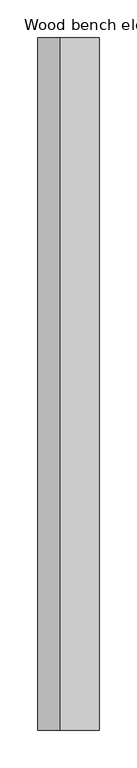
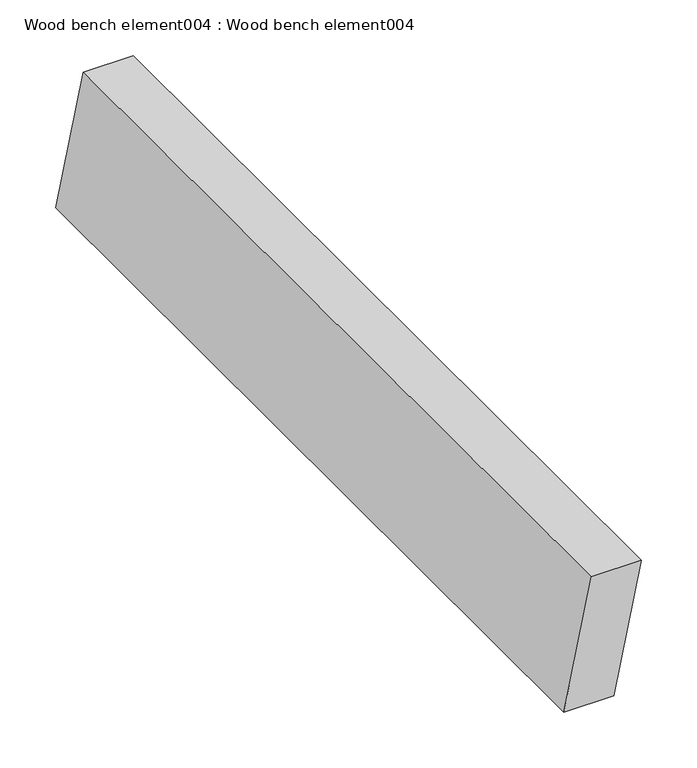
"""IFC4 building model written with IfcOpenShell, lengths in millimetres: proxy geometry, Wood bench element004 : Wood bench element004."""

from ifc_helpers import new_model, si_unit, frame, origin, place, context, project, spatial, polyline, outline, extrude, source, transform, mapped, element, save


def wood_bench_element004_wood_bench_element004_719e65ca(model_context):
    return source(origin(), model_context, "Body", "SweptSolid", [
        extrude(outline(polyline([(762.1420166, 38210.9403499), (762.1420166, 38159.0496287), (623.3062768, 38130.1255163), (623.3062768, 38182.0162374), (762.1420166, 38210.9403499)])), frame((0.0, -19576.8264268, 0.0), z_axis=(0.0, 1.0, 0.0), x_axis=(0.0, 0.0, 1.0)), (0.0, 0.0, 1.0), 914.4),
    ])


if __name__ == "__main__":
    model = new_model("IFC4")
    model_context = context("Model", 3, world=origin())
    ifc_project = project(units=[si_unit("LENGTHUNIT", "METRE", prefix="MILLI")], contexts=[model_context])
    site = spatial("IfcSite", under=ifc_project)
    building = spatial("IfcBuilding", under=site)
    placement = place(None, origin())
    wood_bench_element004_wood_bench_element004_shape = wood_bench_element004_wood_bench_element004_719e65ca(model_context)
    element("IfcBuildingElementProxy", 1, Name="Wood bench element004 : Wood bench element004", ObjectType="Wood bench element004 : Wood bench element004", at=placement, inside=building, context=model_context, shape_type="MappedRepresentation", body=[
        mapped(wood_bench_element004_wood_bench_element004_shape, transform((0.0, 0.0, 0.0), x_axis=(1.0, 0.0, 0.0), y_axis=(0.0, 1.0, 0.0), z_axis=(0.0, 0.0, 1.0))),
    ])
    save(model, "model.ifc")
